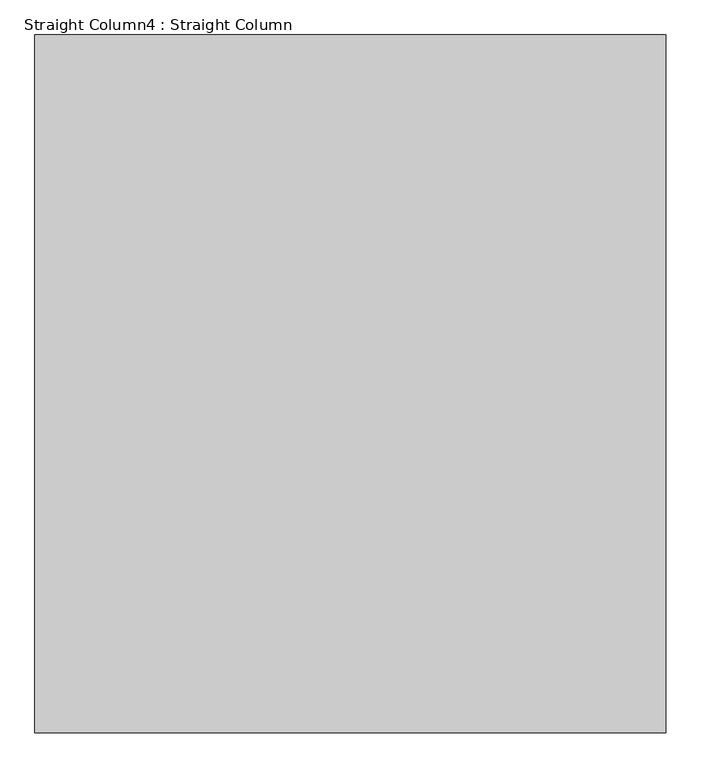
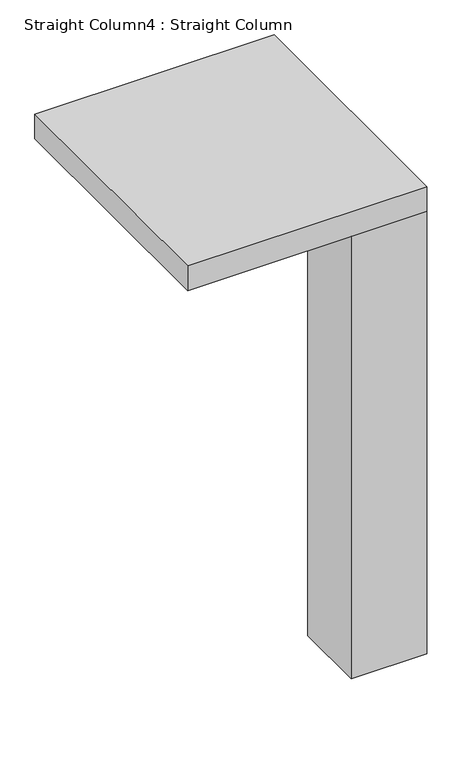
"""IFC4 building model written with IfcOpenShell, lengths in millimetres: column geometry, Straight Column4 : Straight Column."""

from ifc_helpers import new_model, si_unit, frame, origin, origin_with_axes, place, context, project, spatial, polyline, outline, extrude, source, transform, mapped, element, save


def straight_column4_straight_column_81d181ad(model_context):
    return source(origin(), model_context, "Body", "SweptSolid", [
        extrude(outline(polyline([(17831.4351689, 3405.3475779), (17831.4351689, 1805.1475779), (16383.636714, 1805.1475779), (16383.636714, 3405.3475779), (17831.4351689, 3405.3475779)])), frame((0.0, 0.0, 2832.1), z_axis=(0.0, 0.0, 1.0), x_axis=(1.0, 0.0, 0.0)), (0.0, 0.0, 1.0), 158.75),
        extrude(outline(polyline([(17831.4351689, 2262.3475779), (17831.4351689, 1805.1475779), (17374.2351689, 1805.1475779), (17374.2351689, 2262.3475779), (17831.4351689, 2262.3475779)])), origin_with_axes(), (0.0, 0.0, 1.0), 2832.1),
    ])


if __name__ == "__main__":
    model = new_model("IFC4")
    model_context = context("Model", 3, world=origin())
    ifc_project = project(units=[si_unit("LENGTHUNIT", "METRE", prefix="MILLI")], contexts=[model_context])
    site = spatial("IfcSite", under=ifc_project)
    building = spatial("IfcBuilding", under=site)
    placement = place(None, origin())
    straight_column4_straight_column_shape = straight_column4_straight_column_81d181ad(model_context)
    element("IfcColumn", 1, ObjectType="Straight Column4 : Straight Column", at=placement, inside=building, context=model_context, shape_type="MappedRepresentation", body=[
        mapped(straight_column4_straight_column_shape, transform((0.0, 0.0, 0.0), x_axis=(1.0, 0.0, 0.0), y_axis=(0.0, 1.0, 0.0), z_axis=(0.0, 0.0, 1.0))),
    ])
    save(model, "model.ifc")
